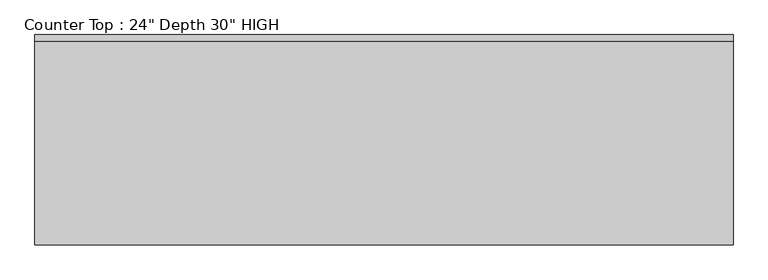
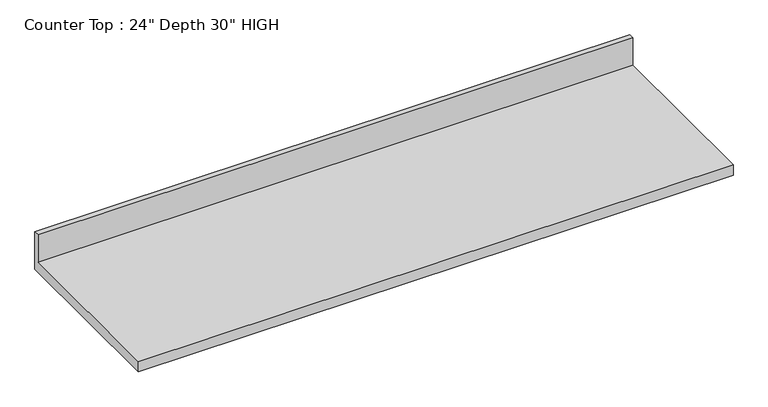
"""IFC4 building model written with IfcOpenShell, lengths in millimetres: furniture geometry."""

from ifc_helpers import new_model, si_unit, frame, origin, place, context, project, spatial, polyline, outline, extrude, source, transform, mapped, element, save


def furniture_38f2c348(model_context):
    return source(origin(), model_context, "Body", "SweptSolid", [
        extrude(outline(polyline([(0.0, 965.2), (0.0, 825.5), (-635.0, 825.5), (-635.0, 863.6), (-19.05, 863.6), (-19.05, 965.2), (0.0, 965.2)])), frame((-1200.4622951, 0.0, 0.0), z_axis=(1.0, 0.0, 0.0), x_axis=(0.0, 1.0, 0.0)), (0.0, 0.0, 1.0), 2106.6125),
    ])


if __name__ == "__main__":
    model = new_model("IFC4")
    model_context = context("Model", 3, world=origin())
    ifc_project = project(units=[si_unit("LENGTHUNIT", "METRE", prefix="MILLI")], contexts=[model_context])
    site = spatial("IfcSite", under=ifc_project)
    building = spatial("IfcBuilding", under=site)
    placement = place(None, origin())
    furniture_shape = furniture_38f2c348(model_context)
    element("IfcFurniture", 1, ObjectType="Counter Top : 24\" Depth 30\" HIGH", at=placement, inside=building, context=model_context, shape_type="MappedRepresentation", body=[
        mapped(furniture_shape, transform((0.0, 0.0, 0.0), x_axis=(1.0, 0.0, 0.0), y_axis=(0.0, 1.0, 0.0), z_axis=(0.0, 0.0, 1.0))),
    ])
    save(model, "model.ifc")
